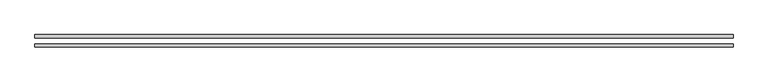
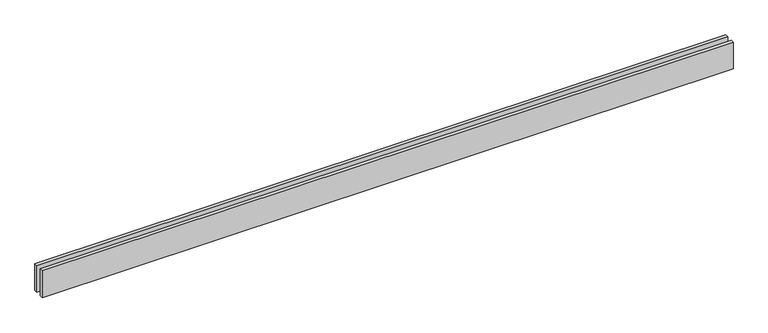
"""IFC4 building model written with IfcOpenShell, lengths in millimetres: proxy geometry."""

from ifc_helpers import new_model, si_unit, origin, origin_with_axes, place, context, project, spatial, polyline, outline, extrude, source, transform, mapped, element, save


def generic_models_1ca6e93e(model_context):
    return source(origin(), model_context, "Body", "SweptSolid", [
        extrude(outline(polyline([(6110.0, 25.0), (0.0, 25.0), (0.0, 55.0), (6110.0, 55.0), (6110.0, 25.0)])), origin_with_axes(), (0.0, 0.0, 1.0), 250.0),
        extrude(outline(polyline([(6110.0, -55.0), (0.0, -55.0), (0.0, -25.0), (6110.0, -25.0), (6110.0, -55.0)])), origin_with_axes(), (0.0, 0.0, 1.0), 250.0),
    ])


if __name__ == "__main__":
    model = new_model("IFC4")
    model_context = context("Model", 3, world=origin())
    ifc_project = project(units=[si_unit("LENGTHUNIT", "METRE", prefix="MILLI")], contexts=[model_context])
    site = spatial("IfcSite", under=ifc_project)
    building = spatial("IfcBuilding", under=site)
    placement = place(None, origin())
    generic_models_shape = generic_models_1ca6e93e(model_context)
    element("IfcBuildingElementProxy", 1, Name="Generic Models", at=placement, inside=building, context=model_context, shape_type="MappedRepresentation", body=[
        mapped(generic_models_shape, transform((0.0, 0.0, 0.0), x_axis=(1.0, 0.0, 0.0), y_axis=(0.0, 1.0, 0.0), z_axis=(0.0, 0.0, 1.0))),
    ])
    save(model, "model.ifc")
